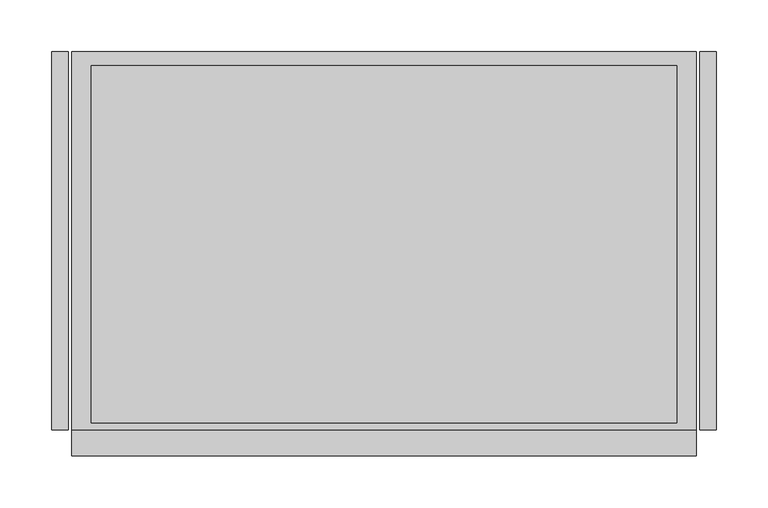
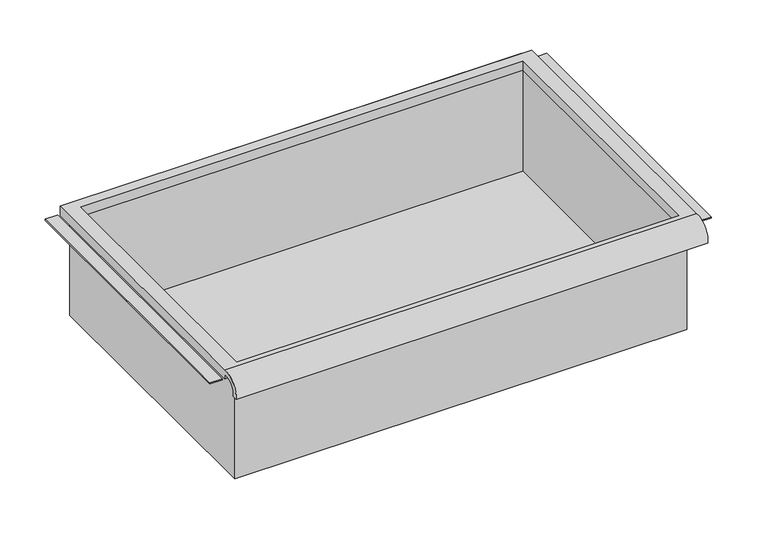
"""IFC4 building model written with IfcOpenShell, lengths in millimetres: furniture geometry."""

from ifc_helpers import new_model, si_unit, frame, origin, place, context, project, spatial, polyline, circle_curve, faceted_brep, source, transform, mapped, element, save
from ifc_brep_helpers import plane_surface, cylinder_surface, revolved_surface, advanced_brep


def furniture_6d0d5d24(model_context):
    return source(origin(), model_context, "Body", "SolidModel", [
        advanced_brep(
        [(305.0224999, -195.297482, 659.6035683), (305.0224999, -188.9125, 659.6035683), (305.0224999, -169.8625, 677.8650415), (305.0224999, -169.8625, 671.51504), (305.0224999, 195.2625, 671.51504), (305.0224999, 195.2625, 684.2150415), (305.0224999, -169.8625, 684.2150415), (-298.2275001, -195.297482, 659.6035683), (-298.2275001, -169.8625, 684.2150415), (-298.2275001, 195.2625, 684.2150415), (-298.2275001, 195.2625, 671.51504), (-298.2275001, -169.8625, 671.51504), (-298.2275001, -169.8625, 677.8650415), (-298.2275001, -188.9125, 659.6035683), (285.9725003, 181.9275, 671.51504), (-279.1775005, 181.9275, 671.51504), (-279.1775005, -163.5125, 671.51504), (285.9725003, -163.5125, 671.51504), (-279.1775005, 181.9275, 684.2150415), (285.9725003, 181.9275, 684.2150415), (285.9725003, -163.5125, 684.2150415), (-279.1775005, -163.5125, 684.2150415)],
        [
            (0, 1),
            (1, 2, circle_curve(frame((305.0224999, -172.3404634, 661.3829787), z_axis=(-1.0, 0.0, 0.0), x_axis=(0.0, 1.0, 0.0)), 16.6672942)),
            (2, 3),
            (3, 4),
            (4, 5),
            (5, 6),
            (6, 0, circle_curve(frame((305.0224999, -172.4601678, 661.4508687), z_axis=(1.0, 0.0, 0.0), x_axis=(0.0, 1.0, 0.0)), 22.9119061)),
            (7, 8, circle_curve(frame((-298.2275001, -172.4601678, 661.4508687), z_axis=(-1.0, 0.0, 0.0), x_axis=(0.0, 1.0, 0.0)), 22.9119061)),
            (8, 9),
            (9, 10),
            (10, 11),
            (11, 12),
            (12, 13, circle_curve(frame((-298.2275001, -172.3404634, 661.3829787), z_axis=(1.0, 0.0, 0.0), x_axis=(0.0, 1.0, 0.0)), 16.6672942)),
            (13, 7),
            (0, 7),
            (13, 1),
            (12, 2),
            (11, 3),
            (10, 4),
            (14, 15),
            (15, 16),
            (16, 17),
            (17, 14),
            (9, 5),
            (8, 6),
            (18, 19),
            (19, 20),
            (20, 21),
            (21, 18),
            (14, 19),
            (18, 15),
            (21, 16),
            (20, 17),
        ],
        [
            plane_surface(frame((305.0224999, -195.297482, 659.6035683), z_axis=(1.0, 0.0, 0.0), x_axis=(0.0, 1.0, 0.0))),
            plane_surface(frame((-298.2275001, -195.297482, 659.6035683), z_axis=(-1.0, 0.0, 0.0), x_axis=(0.0, -1.0, 0.0))),
            plane_surface(frame((305.0224999, -195.297482, 659.6035683), z_axis=(0.0, 0.0, -1.0), x_axis=(-1.0, 0.0, 0.0))),
            revolved_surface(polyline([(-298.2275001, -155.67316920000002, 661.3829787), (305.0224999, -155.67316920000002, 661.3829787)]), (-298.2275001, -172.3404634, 661.3829787), (-1.0, 0.0, 0.0)),
            plane_surface(frame((305.0224999, -169.8625, 677.8650415), z_axis=(0.0, -1.0, 1.1723952344816933e-12), x_axis=(-1.0, 0.0, 0.0))),
            plane_surface(frame((305.0224999, -169.8625, 671.51504), z_axis=(0.0, 0.0, -1.0), x_axis=(-1.0, 0.0, 0.0))),
            plane_surface(frame((305.0224999, 195.2625, 671.51504), z_axis=(0.0, 1.0, 0.0), x_axis=(-1.0, 0.0, 0.0))),
            plane_surface(frame((305.0224999, 195.2625, 684.2150415), z_axis=(0.0, 0.0, 1.0), x_axis=(-1.0, 0.0, 0.0))),
            cylinder_surface(frame((-298.2275001, -172.4601678, 661.4508687), z_axis=(1.0, 0.0, 0.0), x_axis=(0.0, 1.0, 0.0)), 22.9119061),
            plane_surface(frame((285.9725003, 181.9275, 684.2150415), z_axis=(0.0, -1.0, 0.0), x_axis=(0.0, 0.0, -1.0))),
            plane_surface(frame((-279.1775005, 181.9275, 684.2150415), z_axis=(1.0, 0.0, 0.0), x_axis=(0.0, 0.0, -1.0))),
            plane_surface(frame((-279.1775005, -163.5125, 684.2150415), z_axis=(0.0, 1.0, 0.0), x_axis=(0.0, 0.0, -1.0))),
            plane_surface(frame((285.9725003, -163.5125, 684.2150415), z_axis=(-1.0, 0.0, 0.0), x_axis=(0.0, 0.0, -1.0))),
        ],
        [
            (0, [[1, 2, 3, 4, 5, 6, 7]]),
            (1, [[8, 9, 10, 11, 12, 13, 14]]),
            (2, [[-1, 15, -14, 16]]),
            (3, [[-2, -16, -13, 17]]),
            (4, [[-3, -17, -12, 18]]),
            (5, [[-4, -18, -11, 19], [20, 21, 22, 23]]),
            (6, [[-5, -19, -10, 24]]),
            (7, [[-6, -24, -9, 25], [26, 27, 28, 29]]),
            (8, [[-7, -25, -8, -15]]),
            (9, [[30, -26, 31, -20]]),
            (10, [[-31, -29, 32, -21]]),
            (11, [[-32, -28, 33, -22]]),
            (12, [[-30, -23, -33, -27]]),
        ],
    ),
        faceted_brep([(-285.5275005, -169.8625, 531.8150415), (292.3225003, -169.8625, 531.8150415), (292.3225003, -169.8625, 684.2150415), (-285.5275005, -169.8625, 684.2150415), (-285.5275005, 195.2625, 531.8150415), (-285.5275005, 195.2625, 684.2150415), (292.3225003, 195.2625, 684.2150415), (292.3225003, 195.2625, 531.8150415), (-279.1775005, 181.9275, 684.2150415), (285.9725003, 181.9275, 684.2150415), (285.9725003, -163.5125, 684.2150415), (-279.1775005, -163.5125, 684.2150415), (285.9725003, 181.9275, 534.8412134), (-279.1775005, 181.9275, 534.8412134), (-279.1775005, -163.5125, 534.8412134), (285.9725003, -163.5125, 534.8412134)], [[[0, 1, 2, 3]], [[4, 5, 6, 7]], [[1, 0, 4, 7]], [[2, 1, 7, 6]], [[3, 2, 6, 5], [8, 9, 10, 11]], [[0, 3, 5, 4]], [[12, 13, 14, 15]], [[13, 12, 9, 8]], [[14, 13, 8, 11]], [[15, 14, 11, 10]], [[12, 15, 10, 9]]]),
        faceted_brep([(-317.2774997, 195.2625, 671.51504), (-317.2774997, 195.2625, 673.10254), (-301.4025001, 195.2625, 673.10254), (-301.4025001, 195.2625, 671.51504), (-317.2774997, -169.8625, 671.51504), (-301.4025001, -169.8625, 671.51504), (-301.4025001, -169.8625, 673.10254), (-317.2774997, -169.8625, 673.10254)], [[[0, 1, 2, 3]], [[4, 5, 6, 7]], [[1, 0, 4, 7]], [[2, 1, 7, 6]], [[3, 2, 6, 5]], [[0, 3, 5, 4]]]),
        faceted_brep([(324.0725245, 195.2625, 671.51504), (308.1974999, 195.2625, 671.51504), (308.1974999, 195.2625, 673.10254), (324.0725245, 195.2625, 673.10254), (324.0725245, -169.8625, 671.51504), (324.0725245, -169.8625, 673.10254), (308.1974999, -169.8625, 673.10254), (308.1974999, -169.8625, 671.51504)], [[[0, 1, 2, 3]], [[4, 5, 6, 7]], [[1, 0, 4, 7]], [[2, 1, 7, 6]], [[3, 2, 6, 5]], [[0, 3, 5, 4]]]),
    ])


if __name__ == "__main__":
    model = new_model("IFC4")
    model_context = context("Model", 3, world=origin())
    ifc_project = project(units=[si_unit("LENGTHUNIT", "METRE", prefix="MILLI")], contexts=[model_context])
    site = spatial("IfcSite", under=ifc_project)
    building = spatial("IfcBuilding", under=site)
    placement = place(None, origin())
    furniture_shape = furniture_6d0d5d24(model_context)
    element("IfcFurniture", 1, at=placement, inside=building, context=model_context, shape_type="MappedRepresentation", body=[
        mapped(furniture_shape, transform((0.0, 0.0, 0.0), x_axis=(1.0, 0.0, 0.0), y_axis=(0.0, 1.0, 0.0), z_axis=(0.0, 0.0, 1.0))),
    ])
    save(model, "model.ifc")
